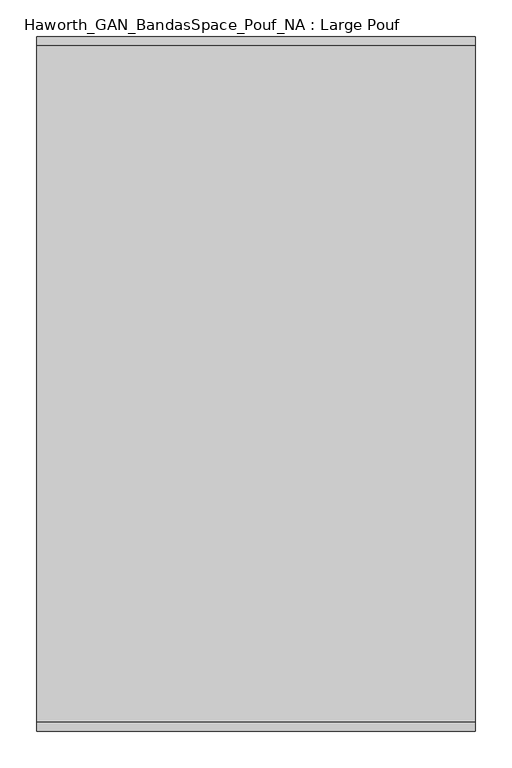
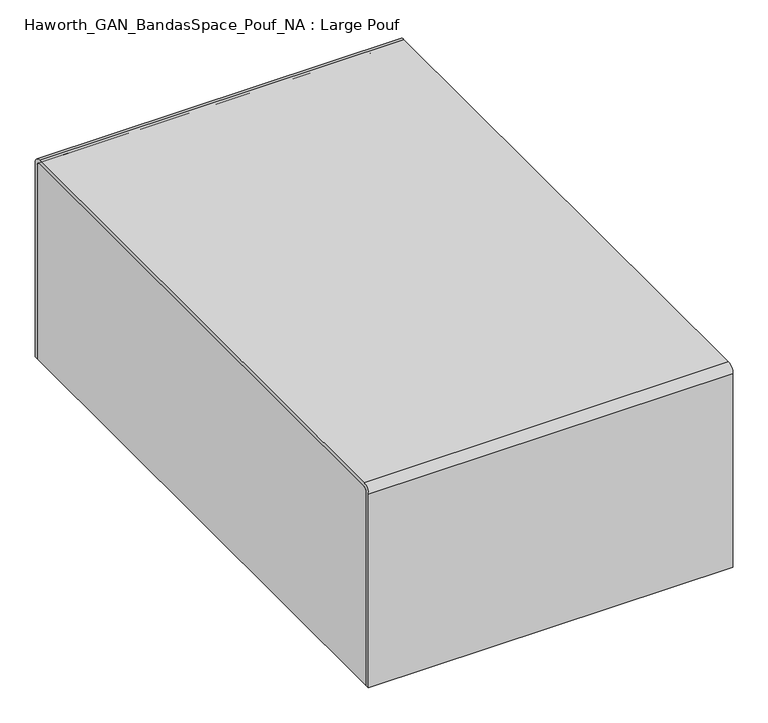
"""IFC4 building model written with IfcOpenShell, lengths in millimetres: furniture geometry, Haworth_GAN_BandasSpace_Pouf_NA : Large Pouf."""

from ifc_helpers import new_model, si_unit, point, frame, frame_2d, origin, place, context, project, spatial, polyline, circle_curve, trimmed, segment, composite_curve, outline, extrude, source, transform, mapped, element, save


def haworth_gan_bandasspace_pouf_na_large_pouf_fdd0321d(model_context):
    return source(origin(), model_context, "Body", "SweptSolid", [
        extrude(outline(composite_curve([segment(trimmed(circle_curve(frame_2d((-659.8046875, 336.55)), 12.7), [point((-672.5046875, 336.55))], [point((-659.8046875, 349.25))], False, "CARTESIAN"), True, "CONTINUOUS"), segment(polyline([(-659.8046875, 349.25), (264.715625, 349.25)]), True, "CONTINUOUS"), segment(trimmed(circle_curve(frame_2d((264.715625, 336.55)), 12.7), [point((264.715625, 349.25))], [point((277.415625, 336.55))], False, "CARTESIAN"), True, "CONTINUOUS"), segment(polyline([(277.415625, 336.55), (277.415625, 0.0), (271.065625, 0.0), (271.065625, 336.55)]), True, "CONTINUOUS"), segment(trimmed(circle_curve(frame_2d((264.715625, 336.55)), 6.35), [point((271.065625, 336.55))], [point((264.715625, 342.9))], True, "CARTESIAN"), True, "CONTINUOUS"), segment(polyline([(264.715625, 342.9), (-659.8046875, 342.9)]), True, "CONTINUOUS"), segment(trimmed(circle_curve(frame_2d((-659.8046875, 336.55)), 6.35), [point((-659.8046875, 342.9))], [point((-666.1546875, 336.55))], True, "CARTESIAN"), True, "CONTINUOUS"), segment(polyline([(-666.1546875, 336.55), (-666.1546875, 0.0), (-672.5046875, 0.0), (-672.5046875, 336.55)]), True, "CONTINUOUS")], self_intersect=False)), frame((-197.4453125, 0.0, 0.0), z_axis=(1.0, 0.0, 0.0), x_axis=(0.0, 1.0, 0.0)), (0.0, 0.0, 1.0), 599.4796875),
        extrude(outline(composite_curve([segment(polyline([(-666.1546875, 0.0), (-666.1546875, 336.55)]), True, "CONTINUOUS"), segment(trimmed(circle_curve(frame_2d((-659.8046875, 336.55)), 6.35), [point((-666.1546875, 336.55))], [point((-659.8046875, 342.9))], False, "CARTESIAN"), True, "CONTINUOUS"), segment(polyline([(-659.8046875, 342.9), (264.715625, 342.9)]), True, "CONTINUOUS"), segment(trimmed(circle_curve(frame_2d((264.715625, 336.55)), 6.35), [point((264.715625, 342.9))], [point((271.065625, 336.55))], False, "CARTESIAN"), True, "CONTINUOUS"), segment(polyline([(271.065625, 336.55), (271.065625, 0.0), (-666.1546875, 0.0)]), True, "CONTINUOUS")], self_intersect=False)), frame((-197.4453125, 0.0, 0.0), z_axis=(1.0, 0.0, 0.0), x_axis=(0.0, 1.0, 0.0)), (0.0, 0.0, 1.0), 599.4796875),
    ])


if __name__ == "__main__":
    model = new_model("IFC4")
    model_context = context("Model", 3, world=origin())
    ifc_project = project(units=[si_unit("LENGTHUNIT", "METRE", prefix="MILLI")], contexts=[model_context])
    site = spatial("IfcSite", under=ifc_project)
    building = spatial("IfcBuilding", under=site)
    placement = place(None, origin())
    haworth_gan_bandasspace_pouf_na_large_pouf_shape = haworth_gan_bandasspace_pouf_na_large_pouf_fdd0321d(model_context)
    element("IfcFurniture", 1, ObjectType="Haworth_GAN_BandasSpace_Pouf_NA : Large Pouf", at=placement, inside=building, context=model_context, shape_type="MappedRepresentation", body=[
        mapped(haworth_gan_bandasspace_pouf_na_large_pouf_shape, transform((0.0, 0.0, 0.0), x_axis=(1.0, 0.0, 0.0), y_axis=(0.0, 1.0, 0.0), z_axis=(0.0, 0.0, 1.0))),
    ])
    save(model, "model.ifc")
